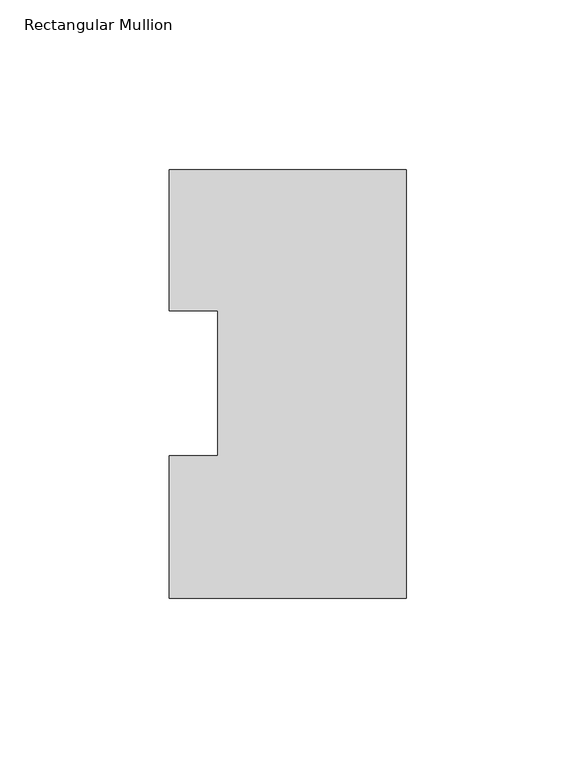
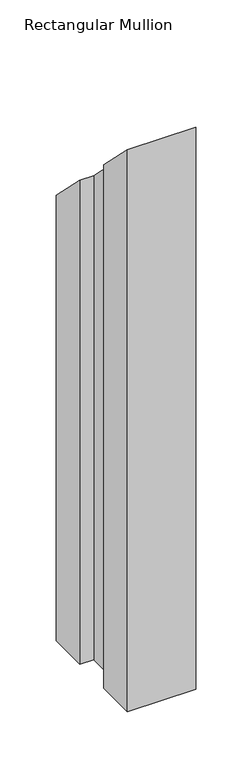
"""IFC4 building model written with IfcOpenShell, lengths in millimetres: member geometry, Rectangular Mullion."""

import ifcopenshell
import ifcopenshell.guid

model = None  # the IFC model being written
_history = None  # IfcOwnerHistory: only IFC2X3 demands one
_inside = {}  # id of a spatial element -> (the spatial element, [elements in it])
_under = {}  # id of a project, library or spatial element -> (it, [spatial elements below it])
_declared = {}  # id of a project -> (the project, [libraries it declares])
_typed = {}  # id of a type object -> (the type object, [elements of that type])
_made_of = {}  # id of a material, layer set ... -> (it, [elements and type objects made of it])


def new_model(schema):
    """Start an empty IFC model of exactly this schema.

    Asked for "IFC4X3", IfcOpenShell would pick the latest addendum, in which some entities
    have other attributes; the version numbers below select the first issue.
    IFC2X3 requires an IfcOwnerHistory on every rooted entity: one is made here for all.
    """
    global model, _history
    if schema == "IFC4X3":
        model = ifcopenshell.file(schema_version=(4, 3, 0, 0))
    else:
        model = ifcopenshell.file(schema=schema)
    _inside.clear()
    _under.clear()
    _declared.clear()
    _typed.clear()
    _made_of.clear()
    _history = None
    if model.schema == "IFC2X3":
        org = make("IfcOrganization", Name="unknown")
        user = make(
            "IfcPersonAndOrganization",
            ThePerson=make("IfcPerson", FamilyName="unknown"),
            TheOrganization=org,
        )
        app = make(
            "IfcApplication",
            ApplicationDeveloper=org,
            Version="unknown",
            ApplicationFullName="unknown",
            ApplicationIdentifier="unknown",
        )
        _history = make(
            "IfcOwnerHistory",
            OwningUser=user,
            OwningApplication=app,
            ChangeAction="ADDED",
            CreationDate=0,
        )
    return model


def make(cls, **values):
    """One entity of the class cls with the attributes given. An attribute that is None is left unset."""
    return model.create_entity(
        cls, **{name: value for name, value in values.items() if value is not None}
    )


def rooted(cls, **values):
    """An entity with a GlobalId (a new one), such as an element, a storey or a relation."""
    return make(cls, GlobalId=ifcopenshell.guid.new(), OwnerHistory=_history, **values)


def si_unit(unit_type, name, prefix=None):
    """IfcSIUnit, for example si_unit("LENGTHUNIT", "METRE", prefix="MILLI")."""
    return make("IfcSIUnit", UnitType=unit_type, Prefix=prefix, Name=name)


def assignment(units):
    """IfcUnitAssignment: the units of a project."""
    return None if units is None else make("IfcUnitAssignment", Units=units)


def point(xyz):
    """IfcCartesianPoint."""
    return None if xyz is None else make("IfcCartesianPoint", Coordinates=xyz)


def direction(xyz):
    """IfcDirection."""
    return None if xyz is None else make("IfcDirection", DirectionRatios=xyz)


def frame(location, z_axis=None, x_axis=None):
    """IfcAxis2Placement3D, a coordinate frame: its origin and axes. An axis left out is left unset."""
    return make(
        "IfcAxis2Placement3D",
        Location=point(location),
        Axis=direction(z_axis),
        RefDirection=direction(x_axis),
    )


def origin():
    """The frame at (0, 0, 0) with its axes left unset."""
    return frame((0.0, 0.0, 0.0))


def place(relative_to, where):
    """IfcLocalPlacement: puts the frame where relative to a parent placement (None: the world)."""
    return make(
        "IfcLocalPlacement", PlacementRelTo=relative_to, RelativePlacement=where
    )


def context(
    kind, dimensions, precision=None, world=None, true_north=None, identifier=None
):
    """IfcGeometricRepresentationContext, for example the 3D "Model" context."""
    return make(
        "IfcGeometricRepresentationContext",
        ContextIdentifier=identifier,
        ContextType=kind,
        CoordinateSpaceDimension=dimensions,
        Precision=precision,
        WorldCoordinateSystem=world,
        TrueNorth=true_north,
    )


def project(units=None, contexts=None):
    """IfcProject with its units and contexts."""
    return rooted(
        "IfcProject",
        Name="project",
        RepresentationContexts=contexts,
        UnitsInContext=assignment(units),
    )


def spatial(cls, under=None, at=None, **own):
    """A site, building, storey or space (cls), placed at a placement, below another one or the project."""
    s = rooted(cls, ObjectPlacement=at, **own)
    if under is not None:
        _under.setdefault(under.id(), (under, []))[1].append(s)
    return s


def faces_of(points, faces, orient=None, outer=None):
    """IfcFace entities. A face is a list of loops; a loop is a list of indices into points, from 0.

    orient and outer hold one flag for each loop. By default every Orientation is true, the
    first loop of a face is its IfcFaceOuterBound and the others are IfcFaceBound.
    """
    made = []
    for i, loops in enumerate(faces):
        bounds = []
        for j, loop in enumerate(loops):
            is_outer = j == 0 if outer is None else outer[i][j]
            bounds.append(
                make(
                    "IfcFaceOuterBound" if is_outer else "IfcFaceBound",
                    Bound=make("IfcPolyLoop", Polygon=[points[k] for k in loop]),
                    Orientation=True if orient is None else orient[i][j],
                )
            )
        made.append(make("IfcFace", Bounds=bounds))
    return made


def faceted_brep(points, faces, orient=None, outer=None, voids=None):
    """IfcFacetedBrep: a solid bounded by flat faces; with voids (closed shells), ...WithVoids."""
    shared = [point(p) for p in points]
    hull = make("IfcClosedShell", CfsFaces=faces_of(shared, faces, orient, outer))
    if voids is None:
        return make("IfcFacetedBrep", Outer=hull)
    return make(
        "IfcFacetedBrepWithVoids",
        Outer=hull,
        Voids=[
            make(cls, CfsFaces=faces_of(shared, fs, o, b)) for cls, fs, o, b in voids
        ],
    )


def shape(context_of_items, identifier, shape_type, items):
    """IfcShapeRepresentation: the items that make up one representation, for example the "Body"."""
    return make(
        "IfcShapeRepresentation",
        ContextOfItems=context_of_items,
        RepresentationIdentifier=identifier,
        RepresentationType=shape_type,
        Items=items,
    )


def source(mapping_origin, context_of_items, identifier, shape_type, items):
    """IfcRepresentationMap: a shape defined once, which mapped items show again and again."""
    return make(
        "IfcRepresentationMap",
        MappingOrigin=mapping_origin,
        MappedRepresentation=shape(context_of_items, identifier, shape_type, items),
    )


def transform(
    local_origin,
    x_axis=None,
    y_axis=None,
    z_axis=None,
    scale=None,
    scale2=None,
    scale3=None,
    uniform=True,
):
    """IfcCartesianTransformationOperator3D, or its non-uniform kind. x_axis, y_axis, z_axis: its Axis1, 2, 3."""
    if uniform:
        return make(
            "IfcCartesianTransformationOperator3D",
            Axis1=direction(x_axis),
            Axis2=direction(y_axis),
            LocalOrigin=point(local_origin),
            Scale=scale,
            Axis3=direction(z_axis),
        )
    return make(
        "IfcCartesianTransformationOperator3DnonUniform",
        Axis1=direction(x_axis),
        Axis2=direction(y_axis),
        LocalOrigin=point(local_origin),
        Scale=scale,
        Axis3=direction(z_axis),
        Scale2=scale2,
        Scale3=scale3,
    )


def mapped(mapping_source, mapping_target):
    """IfcMappedItem: shows the shape of a source again, moved by a transform."""
    return make(
        "IfcMappedItem", MappingSource=mapping_source, MappingTarget=mapping_target
    )


def made_of(thing, what):
    """Note that an element or type object is made of a material, layer set ...; save() writes the relation."""
    if what is not None:
        _made_of.setdefault(what.id(), (what, []))[1].append(thing)
    return thing


def element(
    cls,
    number,
    at=None,
    inside=None,
    cuts=None,
    type_object=None,
    material=None,
    context=None,
    identifier="Body",
    shape_type=None,
    held_by="IfcProductDefinitionShape",
    body=None,
    shapes=None,
    **own,
):
    """One element of the class cls, such as IfcWall. Its Tag is "e" and its number.

    at: its placement. inside: the storey or other place that contains it. cuts: it is an
    opening in that element (IfcRelVoidsElement). A single representation is given by context,
    identifier, shape_type and body (its items); several are given by shapes. held_by: the class
    of the entity that holds the representations. save() writes the other relations.
    """
    e = rooted(cls, Tag="e%d" % number, ObjectPlacement=at, **own)
    if body is not None:
        shapes = [shape(context, identifier, shape_type, body)]
    if shapes is not None:
        e.Representation = make(held_by, Representations=shapes)
    if inside is not None:
        _inside.setdefault(inside.id(), (inside, []))[1].append(e)
    if cuts is not None:
        rooted(
            "IfcRelVoidsElement", RelatingBuildingElement=cuts, RelatedOpeningElement=e
        )
    if type_object is not None:
        _typed.setdefault(type_object.id(), (type_object, []))[1].append(e)
    return made_of(e, material)


def aggregate(whole, parts):
    """IfcRelAggregates: a whole, such as a stair, and the parts it consists of."""
    return rooted("IfcRelAggregates", RelatingObject=whole, RelatedObjects=parts)


def save(model, path):
    """Write the relations noted so far, then the file.

    IfcRelAggregates (storeys below a building ...), IfcRelContainedInSpatialStructure (elements
    in a storey), IfcRelDefinesByType, IfcRelAssociatesMaterial and IfcRelDeclares: one each for
    every whole, place, type object, material and project.
    """
    for whole, parts in _under.values():
        aggregate(whole, parts)
    for where, things in _inside.values():
        rooted(
            "IfcRelContainedInSpatialStructure",
            RelatedElements=things,
            RelatingStructure=where,
        )
    for kind, things in _typed.values():
        rooted("IfcRelDefinesByType", RelatedObjects=things, RelatingType=kind)
    for what, things in _made_of.values():
        rooted("IfcRelAssociatesMaterial", RelatedObjects=things, RelatingMaterial=what)
    for by, libraries in _declared.values():
        rooted("IfcRelDeclares", RelatingContext=by, RelatedDefinitions=libraries)
    model.write(path)


def rectangular_mullion_5bcc75bd(model_context):
    return source(origin(), model_context, "Body", "Brep", [
        faceted_brep([(-69.85, 0.04445, -609.6), (-69.85, 42.08145, -609.6), (-55.5625, 42.08145, -609.6), (-55.5625, 84.93125, -609.6), (-69.85, 84.93125, -609.6), (-69.85, 126.53645, -609.6), (0.0, 126.53645, -609.6), (0.0, 0.04445, -609.6), (0.0, 0.04445, -0.04445), (-69.85, 0.04445, -0.04445), (0.0, 126.53645, -126.53645), (-69.85, 126.53645, -126.53645), (-69.85, 84.93125, -84.93125), (-55.5625, 84.93125, -84.93125), (-55.5625, 42.08145, -42.08145), (-69.85, 42.08145, -42.08145)], [[[0, 1, 2, 3, 4, 5, 6, 7]], [[8, 9, 0, 7]], [[10, 8, 7, 6]], [[11, 10, 6, 5]], [[12, 11, 5, 4]], [[13, 12, 4, 3]], [[14, 13, 3, 2]], [[15, 14, 2, 1]], [[9, 15, 1, 0]], [[9, 8, 10, 11, 12, 13, 14, 15]]]),
    ])


if __name__ == "__main__":
    model = new_model("IFC4")
    model_context = context("Model", 3, world=origin())
    ifc_project = project(units=[si_unit("LENGTHUNIT", "METRE", prefix="MILLI")], contexts=[model_context])
    site = spatial("IfcSite", under=ifc_project)
    building = spatial("IfcBuilding", under=site)
    placement = place(None, origin())
    rectangular_mullion_shape = rectangular_mullion_5bcc75bd(model_context)
    element("IfcMember", 1, ObjectType="Rectangular Mullion", at=placement, inside=building, context=model_context, shape_type="MappedRepresentation", body=[
        mapped(rectangular_mullion_shape, transform((0.0, 0.0, 0.0), x_axis=(1.0, 0.0, 0.0), y_axis=(0.0, 1.0, 0.0), z_axis=(0.0, 0.0, 1.0))),
    ])
    save(model, "model.ifc")
